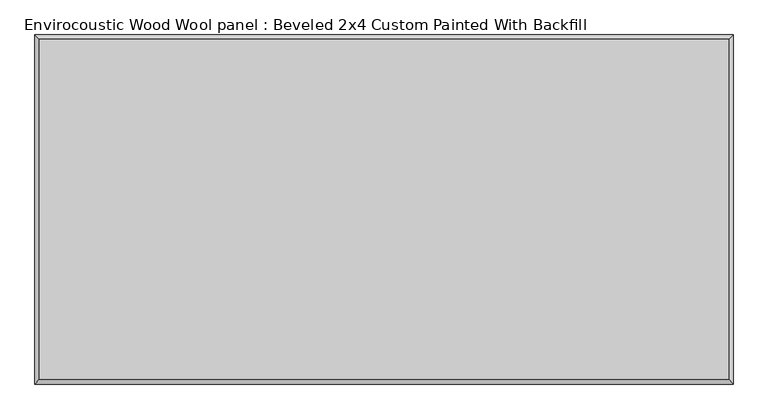
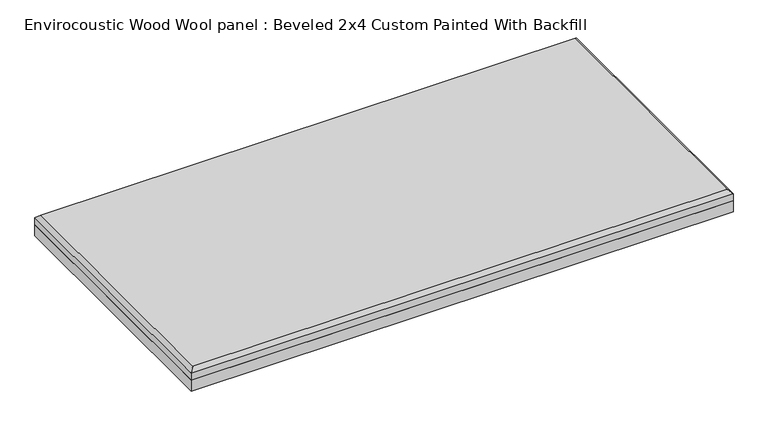
"""IFC4 building model written with IfcOpenShell, lengths in millimetres: proxy geometry, Envirocoustic Wood Wool panel : Beveled 2x4 Custom Painted With Backfill."""

from ifc_helpers import new_model, si_unit, origin, origin_with_axes, place, context, project, spatial, polyline, outline, extrude, faceted_brep, source, transform, mapped, element, save


def envirocoustic_wood_wool_panel_beveled_2x4_custom_painted_dad9e027(model_context):
    return source(origin(), model_context, "Body", "SolidModel", [
        extrude(outline(polyline([(609.6, 304.8), (609.6, -304.8), (-609.6, -304.8), (-609.6, 304.8), (609.6, 304.8)])), origin_with_axes(), (0.0, 0.0, 1.0), 25.4),
        faceted_brep([(601.599, 296.799, 50.8), (-601.599, 296.799, 50.8), (-601.599, -296.799, 50.8), (601.599, -296.799, 50.8), (-609.6, 304.8, 25.4), (609.6, 304.8, 25.4), (609.6, -304.8, 25.4), (-609.6, -304.8, 25.4), (-609.6, -304.8, 42.799), (-609.6, 304.8, 42.799), (609.6, -304.8, 42.799), (609.6, 304.8, 42.799)], [[[0, 1, 2, 3]], [[4, 5, 6, 7]], [[4, 7, 8, 9]], [[7, 6, 10, 8]], [[6, 5, 11, 10]], [[5, 4, 9, 11]], [[9, 1, 0, 11]], [[1, 9, 8, 2]], [[2, 8, 10, 3]], [[11, 0, 3, 10]]]),
    ])


if __name__ == "__main__":
    model = new_model("IFC4")
    model_context = context("Model", 3, world=origin())
    ifc_project = project(units=[si_unit("LENGTHUNIT", "METRE", prefix="MILLI")], contexts=[model_context])
    site = spatial("IfcSite", under=ifc_project)
    building = spatial("IfcBuilding", under=site)
    placement = place(None, origin())
    envirocoustic_wood_wool_panel_beveled_2x4_custom_painted_shape = envirocoustic_wood_wool_panel_beveled_2x4_custom_painted_dad9e027(model_context)
    element("IfcBuildingElementProxy", 1, Name="Envirocoustic Wood Wool panel : Beveled 2x4 Custom Painted With Backfill", ObjectType="Envirocoustic Wood Wool panel : Beveled 2x4 Custom Painted With Backfill", at=placement, inside=building, context=model_context, shape_type="MappedRepresentation", body=[
        mapped(envirocoustic_wood_wool_panel_beveled_2x4_custom_painted_shape, transform((0.0, 0.0, 0.0), x_axis=(1.0, 0.0, 0.0), y_axis=(0.0, 1.0, 0.0), z_axis=(0.0, 0.0, 1.0))),
    ])
    save(model, "model.ifc")
